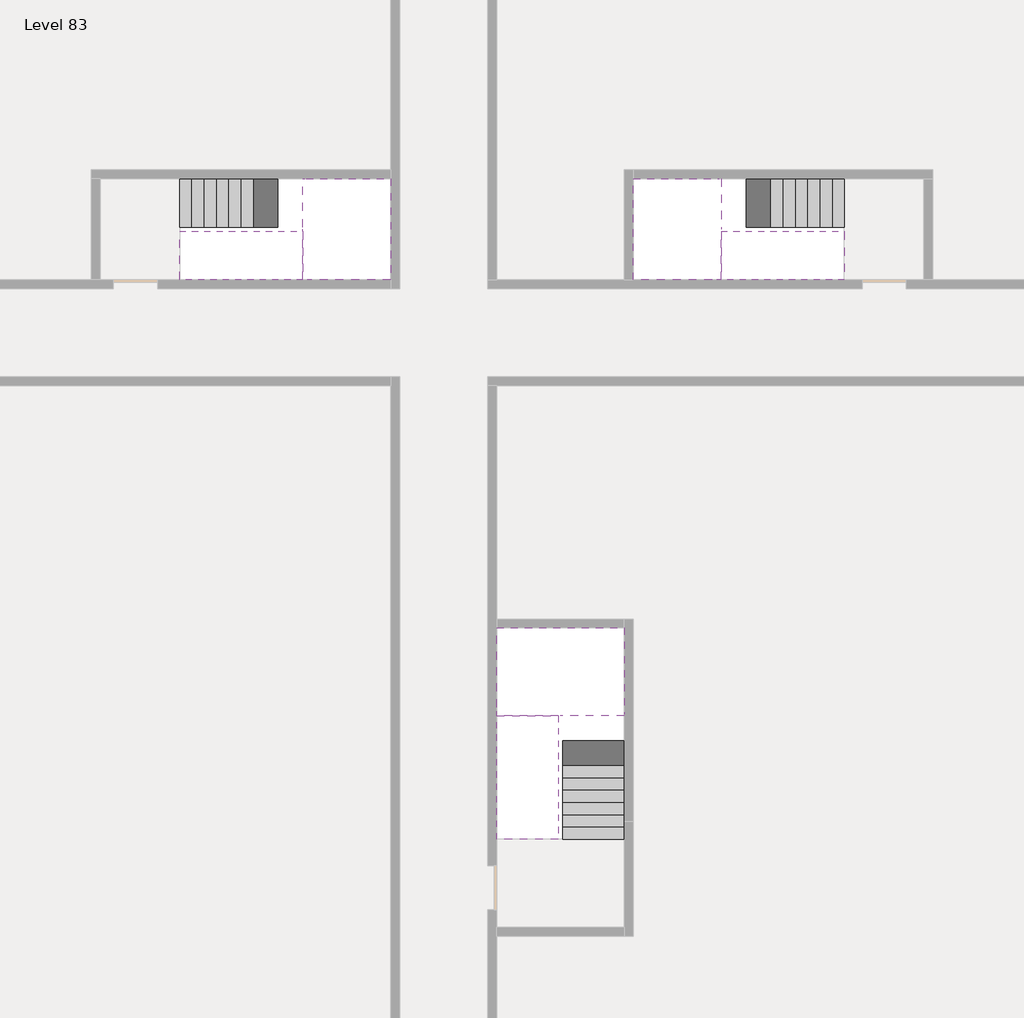
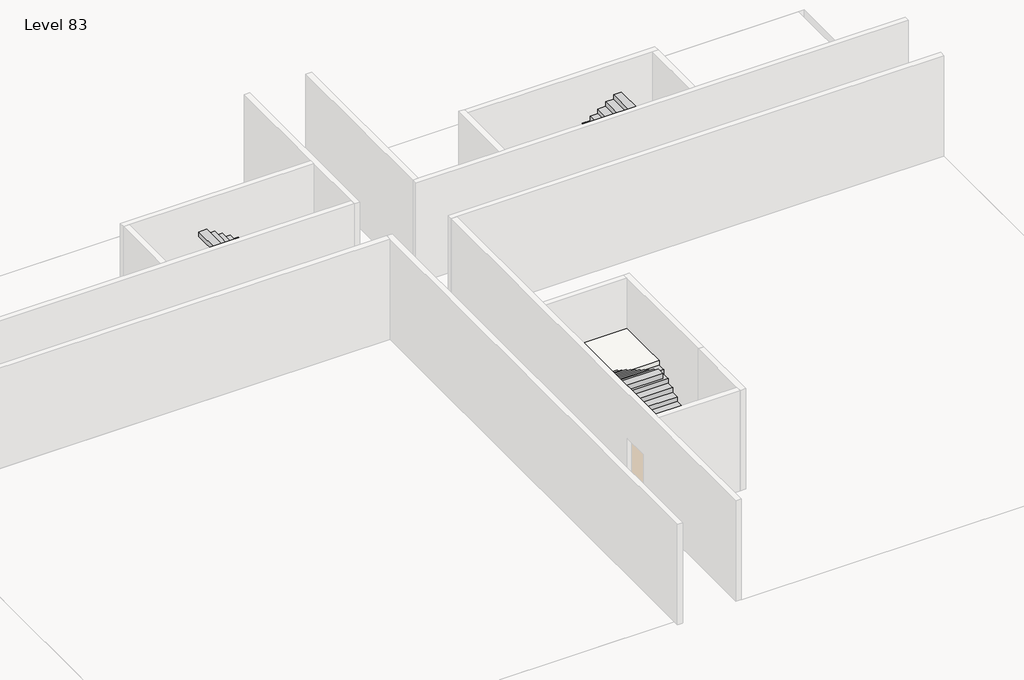
# One storey, part 2 of 2: 6 stair flights, 3 slabs.
"""IFC4 building model written with IfcOpenShell, lengths in millimetres."""

from ifc_helpers import new_model, si_unit, origin, place, context, project, spatial, faceted_brep, element, save

model = new_model("IFC4")

# Units and contexts
model_context = context("Model", 3, world=origin())
ifc_project = project(units=[si_unit("LENGTHUNIT", "METRE", prefix="MILLI")], contexts=[model_context])

# Site, building, storey
site = spatial("IfcSite", under=ifc_project)
building = spatial("IfcBuilding", under=site)
storey = spatial("IfcBuildingStorey", under=building, Name="Level 83", Elevation=311600.0)

# Slabs
placement = place(None, origin())
element("IfcSlab", 1, at=placement, inside=storey, context=model_context, shape_type="Brep", body=[
    faceted_brep([(26890.1058784, -40418.09644, 313500.0), (28290.1058784, -40418.09644, 313500.0), (28290.1058784, -40338.7100038, 313500.0), (28290.1058784, -38418.09644, 313500.0), (25390.1058784, -38418.09644, 313500.0), (25390.1058784, -40217.4828763, 313500.0), (25390.1058784, -40418.09644, 313500.0), (26790.1058784, -40418.09644, 313500.0), (26890.1058784, -40418.09644, 313200.0), (26890.1058784, -40418.09644, 313151.0278478), (28290.1058784, -40418.09644, 313151.0278478), (28290.1058784, -40418.09644, 313327.2727273), (28290.1058784, -40338.7100038, 313200.0), (28290.1058784, -38418.09644, 313200.0), (25390.1058784, -38418.09644, 313200.0), (25390.1058784, -40217.4828763, 313200.0), (25390.1058784, -40418.09644, 313323.7551205), (26790.1058784, -40418.09644, 313323.7551205), (26790.1058784, -40418.09644, 313200.0), (26790.1058784, -40217.4828763, 313200.0), (26890.1058784, -40338.7100038, 313200.0)], [[[0, 1, 2, 3, 4, 5, 6, 7]], [[1, 0, 8, 9, 10, 11]], [[1, 11, 10, 12, 13, 3, 2]], [[4, 3, 13, 14]], [[4, 14, 15, 16, 6, 5]], [[7, 6, 16, 17]], [[0, 7, 17, 18, 8]], [[18, 19, 15, 14, 13, 12, 20, 8]], [[19, 18, 17]], [[20, 12, 10, 9]], [[8, 20, 9]], [[15, 19, 17, 16]]]),
])
element("IfcSlab", 2, at=placement, inside=storey, context=model_context, shape_type="Brep", body=[
    faceted_brep([(20990.1058784, -28218.09644, 313500.0), (20990.1058784, -29318.09644, 313500.0), (20990.1058784, -29418.09644, 313500.0), (20990.1058784, -30518.09644, 313500.0), (21190.7194421, -30518.09644, 313500.0), (22990.1058784, -30518.09644, 313500.0), (22990.1058784, -28218.09644, 313500.0), (21069.4923146, -28218.09644, 313500.0), (20990.1058784, -28218.09644, 313327.2727273), (20990.1058784, -28218.09644, 313151.0278478), (20990.1058784, -29318.09644, 313151.0278478), (20990.1058784, -29318.09644, 313200.0), (20990.1058784, -29418.09644, 313200.0), (20990.1058784, -29418.09644, 313323.7551205), (20990.1058784, -30518.09644, 313323.7551205), (21190.7194421, -30518.09644, 313200.0), (22990.1058784, -30518.09644, 313200.0), (22990.1058784, -28218.09644, 313200.0), (21069.4923146, -28218.09644, 313200.0), (21190.7194421, -29418.09644, 313200.0), (21069.4923146, -29318.09644, 313200.0)], [[[0, 1, 2, 3, 4, 5, 6, 7]], [[1, 0, 8, 9, 10, 11]], [[2, 1, 11, 12, 13]], [[3, 2, 13, 14]], [[3, 14, 15, 16, 5, 4]], [[6, 5, 16, 17]], [[9, 8, 0, 7, 6, 17, 18]], [[19, 12, 11, 20, 18, 17, 16, 15]], [[12, 19, 13]], [[18, 20, 10, 9]], [[20, 11, 10]], [[19, 15, 14, 13]]]),
])
element("IfcSlab", 3, at=placement, inside=storey, context=model_context, shape_type="Brep", body=[
    faceted_brep([(30490.1058784, -29318.09644, 313500.0), (30490.1058784, -28218.09644, 313500.0), (30410.7194421, -28218.09644, 313500.0), (28490.1058784, -28218.09644, 313500.0), (28490.1058784, -30518.09644, 313500.0), (30289.4923146, -30518.09644, 313500.0), (30490.1058784, -30518.09644, 313500.0), (30490.1058784, -29418.09644, 313500.0), (30490.1058784, -29318.09644, 313200.0), (30490.1058784, -29318.09644, 313151.0278478), (30490.1058784, -28218.09644, 313151.0278478), (30490.1058784, -28218.09644, 313327.2727273), (30490.1058784, -29418.09644, 313323.7551205), (30490.1058784, -29418.09644, 313200.0), (30490.1058784, -30518.09644, 313323.7551205), (28490.1058784, -30518.09644, 313200.0), (30289.4923146, -30518.09644, 313200.0), (28490.1058784, -28218.09644, 313200.0), (30410.7194421, -28218.09644, 313200.0), (30289.4923146, -29418.09644, 313200.0), (30410.7194421, -29318.09644, 313200.0)], [[[0, 1, 2, 3, 4, 5, 6, 7]], [[1, 0, 8, 9, 10, 11]], [[0, 7, 12, 13, 8]], [[7, 6, 14, 12]], [[4, 15, 16, 14, 6, 5]], [[4, 3, 17, 15]], [[1, 11, 10, 18, 17, 3, 2]], [[13, 19, 16, 15, 17, 18, 20, 8]], [[20, 18, 10, 9]], [[8, 20, 9]], [[16, 19, 12, 14]], [[19, 13, 12]]]),
])

# Stair flights
element("IfcStairFlight", 4, at=placement, inside=storey, context=model_context, shape_type="Brep", body=[
    faceted_brep([(26890.1058784, -42938.09644, 311772.7272727), (26890.1058784, -43218.09644, 311772.7272727), (28290.1058784, -43218.09644, 311772.7272727), (28290.1058784, -42938.09644, 311772.7272727), (26890.1058784, -42938.09644, 311600.0), (26890.1058784, -43218.09644, 311600.0), (28290.1058784, -43218.09644, 311600.0), (28290.1058784, -42938.09644, 311600.0), (26890.1058784, -42658.09644, 311945.4545455), (26890.1058784, -42938.09644, 311945.4545455), (28290.1058784, -42938.09644, 311945.4545455), (28290.1058784, -42658.09644, 311945.4545455), (26890.1058784, -42658.09644, 311769.209666), (26890.1058784, -42932.3942143, 311600.0), (28290.1058784, -42932.3942143, 311600.0), (28290.1058784, -42658.09644, 311769.209666), (26890.1058784, -42378.09644, 312118.1818182), (26890.1058784, -42658.09644, 312118.1818182), (28290.1058784, -42658.09644, 312118.1818182), (28290.1058784, -42378.09644, 312118.1818182), (26890.1058784, -42378.09644, 311941.9369387), (28290.1058784, -42378.09644, 311941.9369387), (26890.1058784, -42098.09644, 312290.9090909), (26890.1058784, -42378.09644, 312290.9090909), (28290.1058784, -42378.09644, 312290.9090909), (28290.1058784, -42098.09644, 312290.9090909), (26890.1058784, -42098.09644, 312114.6642114), (28290.1058784, -42098.09644, 312114.6642114), (26890.1058784, -41818.09644, 312463.6363636), (26890.1058784, -42098.09644, 312463.6363636), (28290.1058784, -42098.09644, 312463.6363636), (28290.1058784, -41818.09644, 312463.6363636), (26890.1058784, -41818.09644, 312287.3914841), (28290.1058784, -41818.09644, 312287.3914841), (26890.1058784, -41538.09644, 312636.3636364), (26890.1058784, -41818.09644, 312636.3636364), (28290.1058784, -41818.09644, 312636.3636364), (28290.1058784, -41538.09644, 312636.3636364), (26890.1058784, -41538.09644, 312460.1187569), (28290.1058784, -41538.09644, 312460.1187569), (26890.1058784, -41258.09644, 312809.0909091), (26890.1058784, -41538.09644, 312809.0909091), (28290.1058784, -41538.09644, 312809.0909091), (28290.1058784, -41258.09644, 312809.0909091), (26890.1058784, -41258.09644, 312632.8460296), (28290.1058784, -41258.09644, 312632.8460296), (26890.1058784, -40978.09644, 312981.8181818), (26890.1058784, -41258.09644, 312981.8181818), (28290.1058784, -41258.09644, 312981.8181818), (28290.1058784, -40978.09644, 312981.8181818), (26890.1058784, -40978.09644, 312805.5733023), (28290.1058784, -40978.09644, 312805.5733023), (26890.1058784, -40698.09644, 313154.5454545), (26890.1058784, -40978.09644, 313154.5454545), (28290.1058784, -40978.09644, 313154.5454545), (28290.1058784, -40698.09644, 313154.5454545), (26890.1058784, -40698.09644, 312978.3005751), (28290.1058784, -40698.09644, 312978.3005751), (26890.1058784, -40418.09644, 313327.2727273), (26890.1058784, -40698.09644, 313327.2727273), (28290.1058784, -40698.09644, 313327.2727273), (28290.1058784, -40418.09644, 313327.2727273), (26890.1058784, -40418.09644, 313200.0), (26890.1058784, -40418.09644, 313151.0278478), (28290.1058784, -40418.09644, 313151.0278478)], [[[0, 1, 2, 3]], [[1, 0, 4, 5]], [[2, 1, 5, 6]], [[3, 2, 6, 7]], [[8, 9, 10, 11]], [[4, 0, 9, 8, 12, 13]], [[0, 3, 10, 9]], [[3, 7, 14, 15, 11, 10]], [[16, 17, 18, 19]], [[17, 16, 20, 12, 8]], [[8, 11, 18, 17]], [[19, 18, 11, 15, 21]], [[22, 23, 24, 25]], [[23, 22, 26, 20, 16]], [[16, 19, 24, 23]], [[25, 24, 19, 21, 27]], [[28, 29, 30, 31]], [[29, 28, 32, 26, 22]], [[22, 25, 30, 29]], [[31, 30, 25, 27, 33]], [[34, 35, 36, 37]], [[35, 34, 38, 32, 28]], [[28, 31, 36, 35]], [[37, 36, 31, 33, 39]], [[40, 41, 42, 43]], [[41, 40, 44, 38, 34]], [[34, 37, 42, 41]], [[43, 42, 37, 39, 45]], [[46, 47, 48, 49]], [[47, 46, 50, 44, 40]], [[40, 43, 48, 47]], [[49, 48, 43, 45, 51]], [[52, 53, 54, 55]], [[53, 52, 56, 50, 46]], [[46, 49, 54, 53]], [[55, 54, 49, 51, 57]], [[58, 59, 60, 61]], [[59, 58, 62, 63, 56, 52]], [[52, 55, 60, 59]], [[61, 60, 55, 57, 64]], [[58, 61, 64, 63, 62]], [[5, 4, 13, 14, 7, 6]], [[14, 13, 12, 20, 26, 32, 38, 44, 50, 56, 63, 64, 57, 51, 45, 39, 33, 27, 21, 15]]]),
])
element("IfcStairFlight", 5, at=placement, inside=storey, context=model_context, shape_type="Brep", body=[
    faceted_brep([(26790.1058784, -40698.09644, 313672.7272727), (26790.1058784, -40418.09644, 313672.7272727), (25390.1058784, -40418.09644, 313672.7272727), (25390.1058784, -40698.09644, 313672.7272727), (26790.1058784, -40698.09644, 313496.4823932), (26790.1058784, -40418.09644, 313323.7551205), (25390.1058784, -40418.09644, 313323.7551205), (25390.1058784, -40418.09644, 313500.0), (25390.1058784, -40698.09644, 313496.4823932), (26790.1058784, -40978.09644, 313845.4545455), (26790.1058784, -40698.09644, 313845.4545455), (25390.1058784, -40698.09644, 313845.4545455), (25390.1058784, -40978.09644, 313845.4545455), (26790.1058784, -40978.09644, 313669.209666), (25390.1058784, -40978.09644, 313669.209666), (26790.1058784, -41258.09644, 314018.1818182), (26790.1058784, -40978.09644, 314018.1818182), (25390.1058784, -40978.09644, 314018.1818182), (25390.1058784, -41258.09644, 314018.1818182), (26790.1058784, -41258.09644, 313841.9369387), (25390.1058784, -41258.09644, 313841.9369387), (26790.1058784, -41538.09644, 314190.9090909), (26790.1058784, -41258.09644, 314190.9090909), (25390.1058784, -41258.09644, 314190.9090909), (25390.1058784, -41538.09644, 314190.9090909), (26790.1058784, -41538.09644, 314014.6642114), (25390.1058784, -41538.09644, 314014.6642114), (26790.1058784, -41818.09644, 314363.6363636), (26790.1058784, -41538.09644, 314363.6363636), (25390.1058784, -41538.09644, 314363.6363636), (25390.1058784, -41818.09644, 314363.6363636), (26790.1058784, -41818.09644, 314187.3914841), (25390.1058784, -41818.09644, 314187.3914841), (26790.1058784, -42098.09644, 314536.3636364), (26790.1058784, -41818.09644, 314536.3636364), (25390.1058784, -41818.09644, 314536.3636364), (25390.1058784, -42098.09644, 314536.3636364), (26790.1058784, -42098.09644, 314360.1187569), (25390.1058784, -42098.09644, 314360.1187569), (26790.1058784, -42378.09644, 314709.0909091), (26790.1058784, -42098.09644, 314709.0909091), (25390.1058784, -42098.09644, 314709.0909091), (25390.1058784, -42378.09644, 314709.0909091), (26790.1058784, -42378.09644, 314532.8460296), (25390.1058784, -42378.09644, 314532.8460296), (26790.1058784, -42658.09644, 314881.8181818), (26790.1058784, -42378.09644, 314881.8181818), (25390.1058784, -42378.09644, 314881.8181818), (25390.1058784, -42658.09644, 314881.8181818), (26790.1058784, -42658.09644, 314705.5733023), (25390.1058784, -42658.09644, 314705.5733023), (26790.1058784, -42938.09644, 315054.5454545), (26790.1058784, -42658.09644, 315054.5454545), (25390.1058784, -42658.09644, 315054.5454545), (25390.1058784, -42938.09644, 315054.5454545), (26790.1058784, -42938.09644, 314878.3005751), (25390.1058784, -42938.09644, 314878.3005751), (26790.1058784, -43218.09644, 315227.2727273), (26790.1058784, -42938.09644, 315227.2727273), (25390.1058784, -42938.09644, 315227.2727273), (25390.1058784, -43218.09644, 315227.2727273), (26790.1058784, -43218.09644, 315051.0278478), (25390.1058784, -43218.09644, 315051.0278478)], [[[0, 1, 2, 3]], [[1, 0, 4, 5]], [[2, 1, 5, 6, 7]], [[3, 2, 7, 6, 8]], [[9, 10, 11, 12]], [[10, 9, 13, 4, 0]], [[11, 10, 0, 3]], [[12, 11, 3, 8, 14]], [[15, 16, 17, 18]], [[16, 15, 19, 13, 9]], [[17, 16, 9, 12]], [[18, 17, 12, 14, 20]], [[21, 22, 23, 24]], [[22, 21, 25, 19, 15]], [[23, 22, 15, 18]], [[24, 23, 18, 20, 26]], [[27, 28, 29, 30]], [[28, 27, 31, 25, 21]], [[29, 28, 21, 24]], [[30, 29, 24, 26, 32]], [[33, 34, 35, 36]], [[34, 33, 37, 31, 27]], [[35, 34, 27, 30]], [[36, 35, 30, 32, 38]], [[39, 40, 41, 42]], [[40, 39, 43, 37, 33]], [[41, 40, 33, 36]], [[42, 41, 36, 38, 44]], [[45, 46, 47, 48]], [[46, 45, 49, 43, 39]], [[47, 46, 39, 42]], [[48, 47, 42, 44, 50]], [[51, 52, 53, 54]], [[52, 51, 55, 49, 45]], [[53, 52, 45, 48]], [[54, 53, 48, 50, 56]], [[57, 58, 59, 60]], [[58, 57, 61, 55, 51]], [[59, 58, 51, 54]], [[60, 59, 54, 56, 62]], [[57, 60, 62, 61]], [[5, 4, 13, 19, 25, 31, 37, 43, 49, 55, 61, 62, 56, 50, 44, 38, 32, 26, 20, 14, 8, 6]]]),
])
element("IfcStairFlight", 6, at=placement, inside=storey, context=model_context, shape_type="Brep", body=[
    faceted_brep([(18470.1058784, -28218.09644, 311772.7272727), (18190.1058784, -28218.09644, 311772.7272727), (18190.1058784, -29318.09644, 311772.7272727), (18470.1058784, -29318.09644, 311772.7272727), (18470.1058784, -28218.09644, 311600.0), (18190.1058784, -28218.09644, 311600.0), (18190.1058784, -29318.09644, 311600.0), (18470.1058784, -29318.09644, 311600.0), (18750.1058784, -28218.09644, 311945.4545455), (18470.1058784, -28218.09644, 311945.4545455), (18470.1058784, -29318.09644, 311945.4545455), (18750.1058784, -29318.09644, 311945.4545455), (18750.1058784, -28218.09644, 311769.209666), (18475.8081041, -28218.09644, 311600.0), (18475.8081041, -29318.09644, 311600.0), (18750.1058784, -29318.09644, 311769.209666), (19030.1058784, -28218.09644, 312118.1818182), (18750.1058784, -28218.09644, 312118.1818182), (18750.1058784, -29318.09644, 312118.1818182), (19030.1058784, -29318.09644, 312118.1818182), (19030.1058784, -28218.09644, 311941.9369387), (19030.1058784, -29318.09644, 311941.9369387), (19310.1058784, -28218.09644, 312290.9090909), (19030.1058784, -28218.09644, 312290.9090909), (19030.1058784, -29318.09644, 312290.9090909), (19310.1058784, -29318.09644, 312290.9090909), (19310.1058784, -28218.09644, 312114.6642114), (19310.1058784, -29318.09644, 312114.6642114), (19590.1058784, -28218.09644, 312463.6363636), (19310.1058784, -28218.09644, 312463.6363636), (19310.1058784, -29318.09644, 312463.6363636), (19590.1058784, -29318.09644, 312463.6363636), (19590.1058784, -28218.09644, 312287.3914841), (19590.1058784, -29318.09644, 312287.3914841), (19870.1058784, -28218.09644, 312636.3636364), (19590.1058784, -28218.09644, 312636.3636364), (19590.1058784, -29318.09644, 312636.3636364), (19870.1058784, -29318.09644, 312636.3636364), (19870.1058784, -28218.09644, 312460.1187569), (19870.1058784, -29318.09644, 312460.1187569), (20150.1058784, -28218.09644, 312809.0909091), (19870.1058784, -28218.09644, 312809.0909091), (19870.1058784, -29318.09644, 312809.0909091), (20150.1058784, -29318.09644, 312809.0909091), (20150.1058784, -28218.09644, 312632.8460296), (20150.1058784, -29318.09644, 312632.8460296), (20430.1058784, -28218.09644, 312981.8181818), (20150.1058784, -28218.09644, 312981.8181818), (20150.1058784, -29318.09644, 312981.8181818), (20430.1058784, -29318.09644, 312981.8181818), (20430.1058784, -28218.09644, 312805.5733023), (20430.1058784, -29318.09644, 312805.5733023), (20710.1058784, -28218.09644, 313154.5454545), (20430.1058784, -28218.09644, 313154.5454545), (20430.1058784, -29318.09644, 313154.5454545), (20710.1058784, -29318.09644, 313154.5454545), (20710.1058784, -28218.09644, 312978.3005751), (20710.1058784, -29318.09644, 312978.3005751), (20990.1058784, -28218.09644, 313327.2727273), (20710.1058784, -28218.09644, 313327.2727273), (20710.1058784, -29318.09644, 313327.2727273), (20990.1058784, -29318.09644, 313327.2727273), (20990.1058784, -28218.09644, 313151.0278478), (20990.1058784, -29318.09644, 313151.0278478), (20990.1058784, -29318.09644, 313200.0)], [[[0, 1, 2, 3]], [[1, 0, 4, 5]], [[2, 1, 5, 6]], [[3, 2, 6, 7]], [[8, 9, 10, 11]], [[4, 0, 9, 8, 12, 13]], [[0, 3, 10, 9]], [[3, 7, 14, 15, 11, 10]], [[16, 17, 18, 19]], [[17, 16, 20, 12, 8]], [[8, 11, 18, 17]], [[19, 18, 11, 15, 21]], [[22, 23, 24, 25]], [[23, 22, 26, 20, 16]], [[16, 19, 24, 23]], [[25, 24, 19, 21, 27]], [[28, 29, 30, 31]], [[29, 28, 32, 26, 22]], [[22, 25, 30, 29]], [[31, 30, 25, 27, 33]], [[34, 35, 36, 37]], [[35, 34, 38, 32, 28]], [[28, 31, 36, 35]], [[37, 36, 31, 33, 39]], [[40, 41, 42, 43]], [[41, 40, 44, 38, 34]], [[34, 37, 42, 41]], [[43, 42, 37, 39, 45]], [[46, 47, 48, 49]], [[47, 46, 50, 44, 40]], [[40, 43, 48, 47]], [[49, 48, 43, 45, 51]], [[52, 53, 54, 55]], [[53, 52, 56, 50, 46]], [[46, 49, 54, 53]], [[55, 54, 49, 51, 57]], [[58, 59, 60, 61]], [[59, 58, 62, 56, 52]], [[52, 55, 60, 59]], [[61, 60, 55, 57, 63, 64]], [[58, 61, 64, 63, 62]], [[5, 4, 13, 14, 7, 6]], [[14, 13, 12, 20, 26, 32, 38, 44, 50, 56, 62, 63, 57, 51, 45, 39, 33, 27, 21, 15]]]),
])
element("IfcStairFlight", 7, at=placement, inside=storey, context=model_context, shape_type="Brep", body=[
    faceted_brep([(20710.1058784, -30518.09644, 313672.7272727), (20990.1058784, -30518.09644, 313672.7272727), (20990.1058784, -29418.09644, 313672.7272727), (20710.1058784, -29418.09644, 313672.7272727), (20710.1058784, -30518.09644, 313496.4823932), (20990.1058784, -30518.09644, 313323.7551205), (20990.1058784, -30518.09644, 313500.0), (20990.1058784, -29418.09644, 313323.7551205), (20710.1058784, -29418.09644, 313496.4823932), (20430.1058784, -30518.09644, 313845.4545455), (20710.1058784, -30518.09644, 313845.4545455), (20710.1058784, -29418.09644, 313845.4545455), (20430.1058784, -29418.09644, 313845.4545455), (20430.1058784, -30518.09644, 313669.209666), (20430.1058784, -29418.09644, 313669.209666), (20150.1058784, -30518.09644, 314018.1818182), (20430.1058784, -30518.09644, 314018.1818182), (20430.1058784, -29418.09644, 314018.1818182), (20150.1058784, -29418.09644, 314018.1818182), (20150.1058784, -30518.09644, 313841.9369387), (20150.1058784, -29418.09644, 313841.9369387), (19870.1058784, -30518.09644, 314190.9090909), (20150.1058784, -30518.09644, 314190.9090909), (20150.1058784, -29418.09644, 314190.9090909), (19870.1058784, -29418.09644, 314190.9090909), (19870.1058784, -30518.09644, 314014.6642114), (19870.1058784, -29418.09644, 314014.6642114), (19590.1058784, -30518.09644, 314363.6363636), (19870.1058784, -30518.09644, 314363.6363636), (19870.1058784, -29418.09644, 314363.6363636), (19590.1058784, -29418.09644, 314363.6363636), (19590.1058784, -30518.09644, 314187.3914841), (19590.1058784, -29418.09644, 314187.3914841), (19310.1058784, -30518.09644, 314536.3636364), (19590.1058784, -30518.09644, 314536.3636364), (19590.1058784, -29418.09644, 314536.3636364), (19310.1058784, -29418.09644, 314536.3636364), (19310.1058784, -30518.09644, 314360.1187569), (19310.1058784, -29418.09644, 314360.1187569), (19030.1058784, -30518.09644, 314709.0909091), (19310.1058784, -30518.09644, 314709.0909091), (19310.1058784, -29418.09644, 314709.0909091), (19030.1058784, -29418.09644, 314709.0909091), (19030.1058784, -30518.09644, 314532.8460296), (19030.1058784, -29418.09644, 314532.8460296), (18750.1058784, -30518.09644, 314881.8181818), (19030.1058784, -30518.09644, 314881.8181818), (19030.1058784, -29418.09644, 314881.8181818), (18750.1058784, -29418.09644, 314881.8181818), (18750.1058784, -30518.09644, 314705.5733023), (18750.1058784, -29418.09644, 314705.5733023), (18470.1058784, -30518.09644, 315054.5454545), (18750.1058784, -30518.09644, 315054.5454545), (18750.1058784, -29418.09644, 315054.5454545), (18470.1058784, -29418.09644, 315054.5454545), (18470.1058784, -30518.09644, 314878.3005751), (18470.1058784, -29418.09644, 314878.3005751), (18190.1058784, -30518.09644, 315227.2727273), (18470.1058784, -30518.09644, 315227.2727273), (18470.1058784, -29418.09644, 315227.2727273), (18190.1058784, -29418.09644, 315227.2727273), (18190.1058784, -30518.09644, 315051.0278478), (18190.1058784, -29418.09644, 315051.0278478)], [[[0, 1, 2, 3]], [[1, 0, 4, 5, 6]], [[2, 1, 6, 5, 7]], [[3, 2, 7, 8]], [[9, 10, 11, 12]], [[10, 9, 13, 4, 0]], [[11, 10, 0, 3]], [[12, 11, 3, 8, 14]], [[15, 16, 17, 18]], [[16, 15, 19, 13, 9]], [[17, 16, 9, 12]], [[18, 17, 12, 14, 20]], [[21, 22, 23, 24]], [[22, 21, 25, 19, 15]], [[23, 22, 15, 18]], [[24, 23, 18, 20, 26]], [[27, 28, 29, 30]], [[28, 27, 31, 25, 21]], [[29, 28, 21, 24]], [[30, 29, 24, 26, 32]], [[33, 34, 35, 36]], [[34, 33, 37, 31, 27]], [[35, 34, 27, 30]], [[36, 35, 30, 32, 38]], [[39, 40, 41, 42]], [[40, 39, 43, 37, 33]], [[41, 40, 33, 36]], [[42, 41, 36, 38, 44]], [[45, 46, 47, 48]], [[46, 45, 49, 43, 39]], [[47, 46, 39, 42]], [[48, 47, 42, 44, 50]], [[51, 52, 53, 54]], [[52, 51, 55, 49, 45]], [[53, 52, 45, 48]], [[54, 53, 48, 50, 56]], [[57, 58, 59, 60]], [[58, 57, 61, 55, 51]], [[59, 58, 51, 54]], [[60, 59, 54, 56, 62]], [[57, 60, 62, 61]], [[5, 4, 13, 19, 25, 31, 37, 43, 49, 55, 61, 62, 56, 50, 44, 38, 32, 26, 20, 14, 8, 7]]]),
])
element("IfcStairFlight", 8, at=placement, inside=storey, context=model_context, shape_type="Brep", body=[
    faceted_brep([(33010.1058784, -29318.09644, 311772.7272727), (33290.1058784, -29318.09644, 311772.7272727), (33290.1058784, -28218.09644, 311772.7272727), (33010.1058784, -28218.09644, 311772.7272727), (33290.1058784, -28218.09644, 311600.0), (33010.1058784, -28218.09644, 311600.0), (33290.1058784, -29318.09644, 311600.0), (33010.1058784, -29318.09644, 311600.0), (32730.1058784, -29318.09644, 311945.4545455), (33010.1058784, -29318.09644, 311945.4545455), (33010.1058784, -28218.09644, 311945.4545455), (32730.1058784, -28218.09644, 311945.4545455), (33004.4036527, -28218.09644, 311600.0), (32730.1058784, -28218.09644, 311769.209666), (32730.1058784, -29318.09644, 311769.209666), (33004.4036527, -29318.09644, 311600.0), (32450.1058784, -29318.09644, 312118.1818182), (32730.1058784, -29318.09644, 312118.1818182), (32730.1058784, -28218.09644, 312118.1818182), (32450.1058784, -28218.09644, 312118.1818182), (32450.1058784, -28218.09644, 311941.9369387), (32450.1058784, -29318.09644, 311941.9369387), (32170.1058784, -29318.09644, 312290.9090909), (32450.1058784, -29318.09644, 312290.9090909), (32450.1058784, -28218.09644, 312290.9090909), (32170.1058784, -28218.09644, 312290.9090909), (32170.1058784, -28218.09644, 312114.6642114), (32170.1058784, -29318.09644, 312114.6642114), (31890.1058784, -29318.09644, 312463.6363636), (32170.1058784, -29318.09644, 312463.6363636), (32170.1058784, -28218.09644, 312463.6363636), (31890.1058784, -28218.09644, 312463.6363636), (31890.1058784, -28218.09644, 312287.3914841), (31890.1058784, -29318.09644, 312287.3914841), (31610.1058784, -29318.09644, 312636.3636364), (31890.1058784, -29318.09644, 312636.3636364), (31890.1058784, -28218.09644, 312636.3636364), (31610.1058784, -28218.09644, 312636.3636364), (31610.1058784, -28218.09644, 312460.1187569), (31610.1058784, -29318.09644, 312460.1187569), (31330.1058784, -29318.09644, 312809.0909091), (31610.1058784, -29318.09644, 312809.0909091), (31610.1058784, -28218.09644, 312809.0909091), (31330.1058784, -28218.09644, 312809.0909091), (31330.1058784, -28218.09644, 312632.8460296), (31330.1058784, -29318.09644, 312632.8460296), (31050.1058784, -29318.09644, 312981.8181818), (31330.1058784, -29318.09644, 312981.8181818), (31330.1058784, -28218.09644, 312981.8181818), (31050.1058784, -28218.09644, 312981.8181818), (31050.1058784, -28218.09644, 312805.5733023), (31050.1058784, -29318.09644, 312805.5733023), (30770.1058784, -29318.09644, 313154.5454545), (31050.1058784, -29318.09644, 313154.5454545), (31050.1058784, -28218.09644, 313154.5454545), (30770.1058784, -28218.09644, 313154.5454545), (30770.1058784, -28218.09644, 312978.3005751), (30770.1058784, -29318.09644, 312978.3005751), (30490.1058784, -29318.09644, 313327.2727273), (30770.1058784, -29318.09644, 313327.2727273), (30770.1058784, -28218.09644, 313327.2727273), (30490.1058784, -28218.09644, 313327.2727273), (30490.1058784, -28218.09644, 313151.0278478), (30490.1058784, -29318.09644, 313200.0), (30490.1058784, -29318.09644, 313151.0278478)], [[[0, 1, 2, 3]], [[3, 2, 4, 5]], [[2, 1, 6, 4]], [[1, 0, 7, 6]], [[8, 9, 10, 11]], [[3, 5, 12, 13, 11, 10]], [[0, 3, 10, 9]], [[7, 0, 9, 8, 14, 15]], [[16, 17, 18, 19]], [[19, 18, 11, 13, 20]], [[8, 11, 18, 17]], [[17, 16, 21, 14, 8]], [[22, 23, 24, 25]], [[25, 24, 19, 20, 26]], [[16, 19, 24, 23]], [[23, 22, 27, 21, 16]], [[28, 29, 30, 31]], [[31, 30, 25, 26, 32]], [[22, 25, 30, 29]], [[29, 28, 33, 27, 22]], [[34, 35, 36, 37]], [[37, 36, 31, 32, 38]], [[28, 31, 36, 35]], [[35, 34, 39, 33, 28]], [[40, 41, 42, 43]], [[43, 42, 37, 38, 44]], [[34, 37, 42, 41]], [[41, 40, 45, 39, 34]], [[46, 47, 48, 49]], [[49, 48, 43, 44, 50]], [[40, 43, 48, 47]], [[47, 46, 51, 45, 40]], [[52, 53, 54, 55]], [[55, 54, 49, 50, 56]], [[46, 49, 54, 53]], [[53, 52, 57, 51, 46]], [[58, 59, 60, 61]], [[61, 60, 55, 56, 62]], [[52, 55, 60, 59]], [[59, 58, 63, 64, 57, 52]], [[58, 61, 62, 64, 63]], [[6, 7, 15, 12, 5, 4]], [[12, 15, 14, 21, 27, 33, 39, 45, 51, 57, 64, 62, 56, 50, 44, 38, 32, 26, 20, 13]]]),
])
element("IfcStairFlight", 9, at=placement, inside=storey, context=model_context, shape_type="Brep", body=[
    faceted_brep([(30770.1058784, -29418.09644, 313672.7272727), (30490.1058784, -29418.09644, 313672.7272727), (30490.1058784, -30518.09644, 313672.7272727), (30770.1058784, -30518.09644, 313672.7272727), (30490.1058784, -30518.09644, 313500.0), (30490.1058784, -30518.09644, 313323.7551205), (30770.1058784, -30518.09644, 313496.4823932), (30490.1058784, -29418.09644, 313323.7551205), (30770.1058784, -29418.09644, 313496.4823932), (31050.1058784, -29418.09644, 313845.4545455), (30770.1058784, -29418.09644, 313845.4545455), (30770.1058784, -30518.09644, 313845.4545455), (31050.1058784, -30518.09644, 313845.4545455), (31050.1058784, -30518.09644, 313669.209666), (31050.1058784, -29418.09644, 313669.209666), (31330.1058784, -29418.09644, 314018.1818182), (31050.1058784, -29418.09644, 314018.1818182), (31050.1058784, -30518.09644, 314018.1818182), (31330.1058784, -30518.09644, 314018.1818182), (31330.1058784, -30518.09644, 313841.9369387), (31330.1058784, -29418.09644, 313841.9369387), (31610.1058784, -29418.09644, 314190.9090909), (31330.1058784, -29418.09644, 314190.9090909), (31330.1058784, -30518.09644, 314190.9090909), (31610.1058784, -30518.09644, 314190.9090909), (31610.1058784, -30518.09644, 314014.6642114), (31610.1058784, -29418.09644, 314014.6642114), (31890.1058784, -29418.09644, 314363.6363636), (31610.1058784, -29418.09644, 314363.6363636), (31610.1058784, -30518.09644, 314363.6363636), (31890.1058784, -30518.09644, 314363.6363636), (31890.1058784, -30518.09644, 314187.3914841), (31890.1058784, -29418.09644, 314187.3914841), (32170.1058784, -29418.09644, 314536.3636364), (31890.1058784, -29418.09644, 314536.3636364), (31890.1058784, -30518.09644, 314536.3636364), (32170.1058784, -30518.09644, 314536.3636364), (32170.1058784, -30518.09644, 314360.1187569), (32170.1058784, -29418.09644, 314360.1187569), (32450.1058784, -29418.09644, 314709.0909091), (32170.1058784, -29418.09644, 314709.0909091), (32170.1058784, -30518.09644, 314709.0909091), (32450.1058784, -30518.09644, 314709.0909091), (32450.1058784, -30518.09644, 314532.8460296), (32450.1058784, -29418.09644, 314532.8460296), (32730.1058784, -29418.09644, 314881.8181818), (32450.1058784, -29418.09644, 314881.8181818), (32450.1058784, -30518.09644, 314881.8181818), (32730.1058784, -30518.09644, 314881.8181818), (32730.1058784, -30518.09644, 314705.5733023), (32730.1058784, -29418.09644, 314705.5733023), (33010.1058784, -29418.09644, 315054.5454545), (32730.1058784, -29418.09644, 315054.5454545), (32730.1058784, -30518.09644, 315054.5454545), (33010.1058784, -30518.09644, 315054.5454545), (33010.1058784, -30518.09644, 314878.3005751), (33010.1058784, -29418.09644, 314878.3005751), (33290.1058784, -29418.09644, 315227.2727273), (33010.1058784, -29418.09644, 315227.2727273), (33010.1058784, -30518.09644, 315227.2727273), (33290.1058784, -30518.09644, 315227.2727273), (33290.1058784, -30518.09644, 315051.0278478), (33290.1058784, -29418.09644, 315051.0278478)], [[[0, 1, 2, 3]], [[3, 2, 4, 5, 6]], [[2, 1, 7, 5, 4]], [[1, 0, 8, 7]], [[9, 10, 11, 12]], [[12, 11, 3, 6, 13]], [[11, 10, 0, 3]], [[10, 9, 14, 8, 0]], [[15, 16, 17, 18]], [[18, 17, 12, 13, 19]], [[17, 16, 9, 12]], [[16, 15, 20, 14, 9]], [[21, 22, 23, 24]], [[24, 23, 18, 19, 25]], [[23, 22, 15, 18]], [[22, 21, 26, 20, 15]], [[27, 28, 29, 30]], [[30, 29, 24, 25, 31]], [[29, 28, 21, 24]], [[28, 27, 32, 26, 21]], [[33, 34, 35, 36]], [[36, 35, 30, 31, 37]], [[35, 34, 27, 30]], [[34, 33, 38, 32, 27]], [[39, 40, 41, 42]], [[42, 41, 36, 37, 43]], [[41, 40, 33, 36]], [[40, 39, 44, 38, 33]], [[45, 46, 47, 48]], [[48, 47, 42, 43, 49]], [[47, 46, 39, 42]], [[46, 45, 50, 44, 39]], [[51, 52, 53, 54]], [[54, 53, 48, 49, 55]], [[53, 52, 45, 48]], [[52, 51, 56, 50, 45]], [[57, 58, 59, 60]], [[60, 59, 54, 55, 61]], [[59, 58, 51, 54]], [[58, 57, 62, 56, 51]], [[57, 60, 61, 62]], [[7, 8, 14, 20, 26, 32, 38, 44, 50, 56, 62, 61, 55, 49, 43, 37, 31, 25, 19, 13, 6, 5]]]),
])

save(model, "model.ifc")
